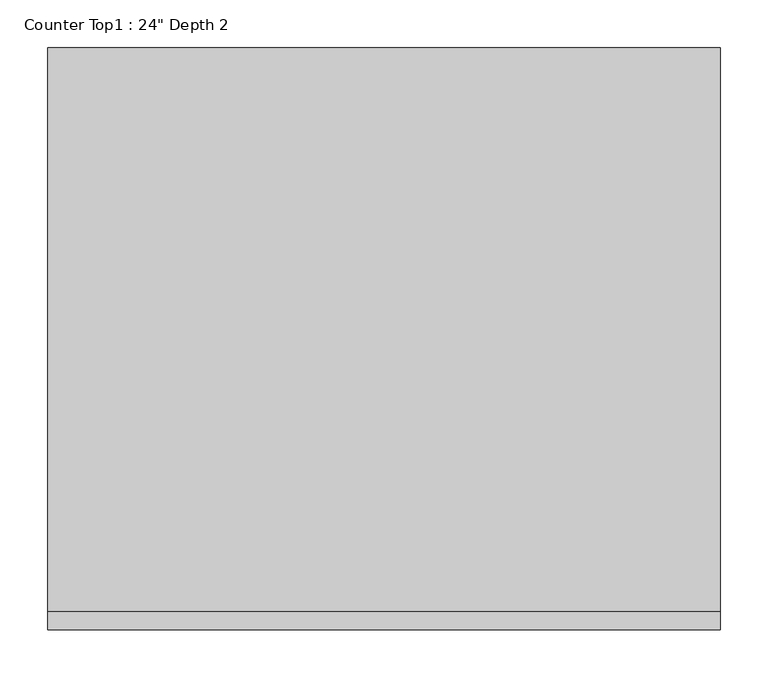
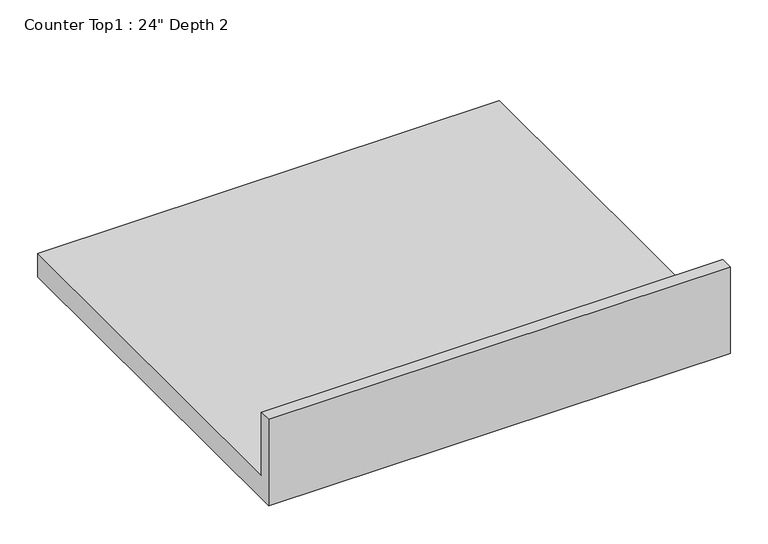
"""IFC4 building model written with IfcOpenShell, lengths in millimetres: furniture geometry."""

import ifcopenshell
import ifcopenshell.guid

model = None  # the IFC model being written
_history = None  # IfcOwnerHistory: only IFC2X3 demands one
_inside = {}  # id of a spatial element -> (the spatial element, [elements in it])
_under = {}  # id of a project, library or spatial element -> (it, [spatial elements below it])
_declared = {}  # id of a project -> (the project, [libraries it declares])
_typed = {}  # id of a type object -> (the type object, [elements of that type])
_made_of = {}  # id of a material, layer set ... -> (it, [elements and type objects made of it])


def new_model(schema):
    """Start an empty IFC model of exactly this schema.

    Asked for "IFC4X3", IfcOpenShell would pick the latest addendum, in which some entities
    have other attributes; the version numbers below select the first issue.
    IFC2X3 requires an IfcOwnerHistory on every rooted entity: one is made here for all.
    """
    global model, _history
    if schema == "IFC4X3":
        model = ifcopenshell.file(schema_version=(4, 3, 0, 0))
    else:
        model = ifcopenshell.file(schema=schema)
    _inside.clear()
    _under.clear()
    _declared.clear()
    _typed.clear()
    _made_of.clear()
    _history = None
    if model.schema == "IFC2X3":
        org = make("IfcOrganization", Name="unknown")
        user = make(
            "IfcPersonAndOrganization",
            ThePerson=make("IfcPerson", FamilyName="unknown"),
            TheOrganization=org,
        )
        app = make(
            "IfcApplication",
            ApplicationDeveloper=org,
            Version="unknown",
            ApplicationFullName="unknown",
            ApplicationIdentifier="unknown",
        )
        _history = make(
            "IfcOwnerHistory",
            OwningUser=user,
            OwningApplication=app,
            ChangeAction="ADDED",
            CreationDate=0,
        )
    return model


def make(cls, **values):
    """One entity of the class cls with the attributes given. An attribute that is None is left unset."""
    return model.create_entity(
        cls, **{name: value for name, value in values.items() if value is not None}
    )


def rooted(cls, **values):
    """An entity with a GlobalId (a new one), such as an element, a storey or a relation."""
    return make(cls, GlobalId=ifcopenshell.guid.new(), OwnerHistory=_history, **values)


def si_unit(unit_type, name, prefix=None):
    """IfcSIUnit, for example si_unit("LENGTHUNIT", "METRE", prefix="MILLI")."""
    return make("IfcSIUnit", UnitType=unit_type, Prefix=prefix, Name=name)


def assignment(units):
    """IfcUnitAssignment: the units of a project."""
    return None if units is None else make("IfcUnitAssignment", Units=units)


def point(xyz):
    """IfcCartesianPoint."""
    return None if xyz is None else make("IfcCartesianPoint", Coordinates=xyz)


def direction(xyz):
    """IfcDirection."""
    return None if xyz is None else make("IfcDirection", DirectionRatios=xyz)


def frame(location, z_axis=None, x_axis=None):
    """IfcAxis2Placement3D, a coordinate frame: its origin and axes. An axis left out is left unset."""
    return make(
        "IfcAxis2Placement3D",
        Location=point(location),
        Axis=direction(z_axis),
        RefDirection=direction(x_axis),
    )


def origin():
    """The frame at (0, 0, 0) with its axes left unset."""
    return frame((0.0, 0.0, 0.0))


def place(relative_to, where):
    """IfcLocalPlacement: puts the frame where relative to a parent placement (None: the world)."""
    return make(
        "IfcLocalPlacement", PlacementRelTo=relative_to, RelativePlacement=where
    )


def context(
    kind, dimensions, precision=None, world=None, true_north=None, identifier=None
):
    """IfcGeometricRepresentationContext, for example the 3D "Model" context."""
    return make(
        "IfcGeometricRepresentationContext",
        ContextIdentifier=identifier,
        ContextType=kind,
        CoordinateSpaceDimension=dimensions,
        Precision=precision,
        WorldCoordinateSystem=world,
        TrueNorth=true_north,
    )


def project(units=None, contexts=None):
    """IfcProject with its units and contexts."""
    return rooted(
        "IfcProject",
        Name="project",
        RepresentationContexts=contexts,
        UnitsInContext=assignment(units),
    )


def spatial(cls, under=None, at=None, **own):
    """A site, building, storey or space (cls), placed at a placement, below another one or the project."""
    s = rooted(cls, ObjectPlacement=at, **own)
    if under is not None:
        _under.setdefault(under.id(), (under, []))[1].append(s)
    return s


def polyline(points):
    """IfcPolyline through the points."""
    return make("IfcPolyline", Points=[point(p) for p in points])


def outline(outer, holes=None, kind="AREA"):
    """IfcArbitraryClosedProfileDef: a profile drawn as a closed curve; with holes, ...WithVoids."""
    if holes is None:
        return make("IfcArbitraryClosedProfileDef", ProfileType=kind, OuterCurve=outer)
    return make(
        "IfcArbitraryProfileDefWithVoids",
        ProfileType=kind,
        OuterCurve=outer,
        InnerCurves=holes,
    )


def extrude(swept, where, along, depth):
    """IfcExtrudedAreaSolid: the profile swept, set in the frame where, extruded along a direction by depth."""
    return make(
        "IfcExtrudedAreaSolid",
        SweptArea=swept,
        Position=where,
        ExtrudedDirection=direction(along),
        Depth=depth,
    )


def shape(context_of_items, identifier, shape_type, items):
    """IfcShapeRepresentation: the items that make up one representation, for example the "Body"."""
    return make(
        "IfcShapeRepresentation",
        ContextOfItems=context_of_items,
        RepresentationIdentifier=identifier,
        RepresentationType=shape_type,
        Items=items,
    )


def source(mapping_origin, context_of_items, identifier, shape_type, items):
    """IfcRepresentationMap: a shape defined once, which mapped items show again and again."""
    return make(
        "IfcRepresentationMap",
        MappingOrigin=mapping_origin,
        MappedRepresentation=shape(context_of_items, identifier, shape_type, items),
    )


def transform(
    local_origin,
    x_axis=None,
    y_axis=None,
    z_axis=None,
    scale=None,
    scale2=None,
    scale3=None,
    uniform=True,
):
    """IfcCartesianTransformationOperator3D, or its non-uniform kind. x_axis, y_axis, z_axis: its Axis1, 2, 3."""
    if uniform:
        return make(
            "IfcCartesianTransformationOperator3D",
            Axis1=direction(x_axis),
            Axis2=direction(y_axis),
            LocalOrigin=point(local_origin),
            Scale=scale,
            Axis3=direction(z_axis),
        )
    return make(
        "IfcCartesianTransformationOperator3DnonUniform",
        Axis1=direction(x_axis),
        Axis2=direction(y_axis),
        LocalOrigin=point(local_origin),
        Scale=scale,
        Axis3=direction(z_axis),
        Scale2=scale2,
        Scale3=scale3,
    )


def mapped(mapping_source, mapping_target):
    """IfcMappedItem: shows the shape of a source again, moved by a transform."""
    return make(
        "IfcMappedItem", MappingSource=mapping_source, MappingTarget=mapping_target
    )


def made_of(thing, what):
    """Note that an element or type object is made of a material, layer set ...; save() writes the relation."""
    if what is not None:
        _made_of.setdefault(what.id(), (what, []))[1].append(thing)
    return thing


def element(
    cls,
    number,
    at=None,
    inside=None,
    cuts=None,
    type_object=None,
    material=None,
    context=None,
    identifier="Body",
    shape_type=None,
    held_by="IfcProductDefinitionShape",
    body=None,
    shapes=None,
    **own,
):
    """One element of the class cls, such as IfcWall. Its Tag is "e" and its number.

    at: its placement. inside: the storey or other place that contains it. cuts: it is an
    opening in that element (IfcRelVoidsElement). A single representation is given by context,
    identifier, shape_type and body (its items); several are given by shapes. held_by: the class
    of the entity that holds the representations. save() writes the other relations.
    """
    e = rooted(cls, Tag="e%d" % number, ObjectPlacement=at, **own)
    if body is not None:
        shapes = [shape(context, identifier, shape_type, body)]
    if shapes is not None:
        e.Representation = make(held_by, Representations=shapes)
    if inside is not None:
        _inside.setdefault(inside.id(), (inside, []))[1].append(e)
    if cuts is not None:
        rooted(
            "IfcRelVoidsElement", RelatingBuildingElement=cuts, RelatedOpeningElement=e
        )
    if type_object is not None:
        _typed.setdefault(type_object.id(), (type_object, []))[1].append(e)
    return made_of(e, material)


def aggregate(whole, parts):
    """IfcRelAggregates: a whole, such as a stair, and the parts it consists of."""
    return rooted("IfcRelAggregates", RelatingObject=whole, RelatedObjects=parts)


def save(model, path):
    """Write the relations noted so far, then the file.

    IfcRelAggregates (storeys below a building ...), IfcRelContainedInSpatialStructure (elements
    in a storey), IfcRelDefinesByType, IfcRelAssociatesMaterial and IfcRelDeclares: one each for
    every whole, place, type object, material and project.
    """
    for whole, parts in _under.values():
        aggregate(whole, parts)
    for where, things in _inside.values():
        rooted(
            "IfcRelContainedInSpatialStructure",
            RelatedElements=things,
            RelatingStructure=where,
        )
    for kind, things in _typed.values():
        rooted("IfcRelDefinesByType", RelatedObjects=things, RelatingType=kind)
    for what, things in _made_of.values():
        rooted("IfcRelAssociatesMaterial", RelatedObjects=things, RelatingMaterial=what)
    for by, libraries in _declared.values():
        rooted("IfcRelDeclares", RelatingContext=by, RelatedDefinitions=libraries)
    model.write(path)


def furniture_4732933d(model_context):
    return source(origin(), model_context, "Body", "SweptSolid", [
        extrude(outline(polyline([(0.0, 1016.0), (19.05, 1016.0), (19.05, 914.4), (609.6, 914.4), (609.6, 876.3), (0.0, 876.3), (0.0, 1016.0)])), frame((-1200.4622951, 0.0, 0.0), z_axis=(1.0, 0.0, 0.0), x_axis=(0.0, 1.0, 0.0)), (0.0, 0.0, 1.0), 704.3875),
    ])


if __name__ == "__main__":
    model = new_model("IFC4")
    model_context = context("Model", 3, world=origin())
    ifc_project = project(units=[si_unit("LENGTHUNIT", "METRE", prefix="MILLI")], contexts=[model_context])
    site = spatial("IfcSite", under=ifc_project)
    building = spatial("IfcBuilding", under=site)
    placement = place(None, origin())
    furniture_shape = furniture_4732933d(model_context)
    element("IfcFurniture", 1, ObjectType="Counter Top1 : 24\" Depth 2", at=placement, inside=building, context=model_context, shape_type="MappedRepresentation", body=[
        mapped(furniture_shape, transform((0.0, 0.0, 0.0), x_axis=(1.0, 0.0, 0.0), y_axis=(0.0, 1.0, 0.0), z_axis=(0.0, 0.0, 1.0))),
    ])
    save(model, "model.ifc")
